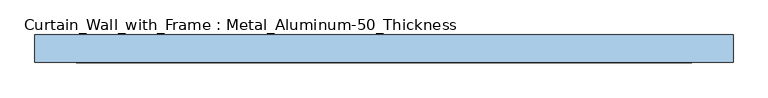
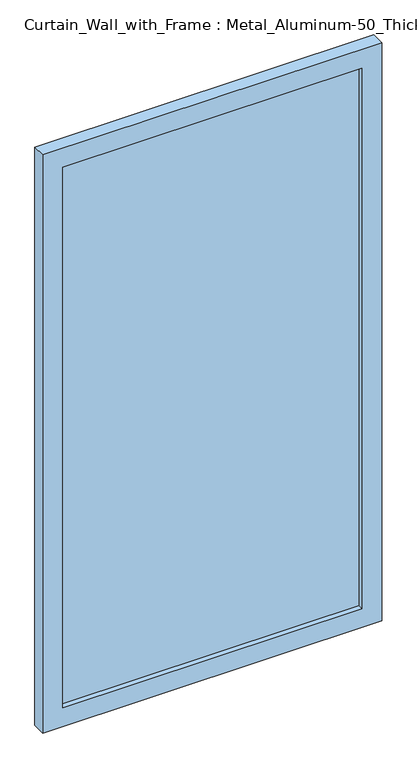
"""IFC4 building model written with IfcOpenShell, lengths in millimetres: window geometry, Curtain_Wall_with_Frame : Metal_Aluminum-50_Thickness."""

from ifc_helpers import new_model, si_unit, frame, origin, place, context, project, spatial, polyline, outline, extrude, source, transform, mapped, element, save


def curtain_wall_with_frame_metal_aluminum_50_thickness_6cbf61f7(model_context):
    return source(origin(), model_context, "Body", "SweptSolid", [
        extrude(outline(polyline([(560.0, -30.95), (-560.0, -30.95), (-560.0, -18.25), (560.0, -18.25), (560.0, -30.95)])), frame((0.0, 0.0, 75.0), z_axis=(0.0, 0.0, 1.0), x_axis=(1.0, 0.0, 0.0)), (0.0, 0.0, 1.0), 2140.0),
        extrude(outline(polyline([(2290.0, -635.0), (0.0, -635.0), (0.0, 635.0), (2290.0, 635.0), (2290.0, -635.0)]), holes=[polyline([(2215.0, -560.0), (2215.0, 560.0), (75.0, 560.0), (75.0, -560.0), (2215.0, -560.0)])]), frame((0.0, -50.0, 0.0), z_axis=(0.0, 1.0, 0.0), x_axis=(0.0, 0.0, 1.0)), (0.0, 0.0, 1.0), 50.0),
    ])


if __name__ == "__main__":
    model = new_model("IFC4")
    model_context = context("Model", 3, world=origin())
    ifc_project = project(units=[si_unit("LENGTHUNIT", "METRE", prefix="MILLI")], contexts=[model_context])
    site = spatial("IfcSite", under=ifc_project)
    building = spatial("IfcBuilding", under=site)
    placement = place(None, origin())
    curtain_wall_with_frame_metal_aluminum_50_thickness_shape = curtain_wall_with_frame_metal_aluminum_50_thickness_6cbf61f7(model_context)
    element("IfcWindow", 1, ObjectType="Curtain_Wall_with_Frame : Metal_Aluminum-50_Thickness", at=placement, inside=building, context=model_context, shape_type="MappedRepresentation", body=[
        mapped(curtain_wall_with_frame_metal_aluminum_50_thickness_shape, transform((0.0, 0.0, 0.0), x_axis=(1.0, 0.0, 0.0), y_axis=(0.0, 1.0, 0.0), z_axis=(0.0, 0.0, 1.0))),
    ])
    save(model, "model.ifc")
